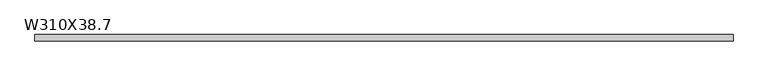
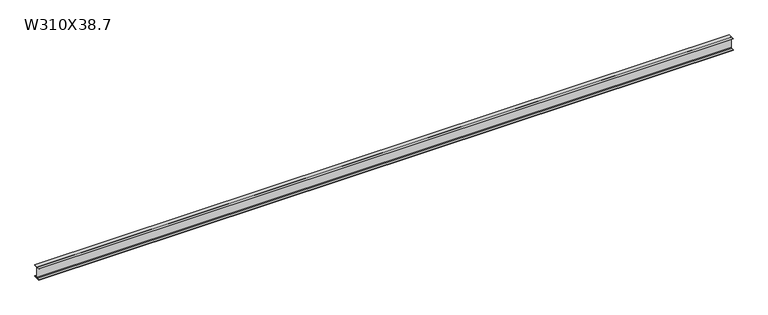
"""IFC4 building model written with IfcOpenShell, lengths in millimetres: beam geometry, W310X38.7."""

from ifc_helpers import new_model, si_unit, point, frame, frame_2d, origin, place, context, project, spatial, polyline, circle_curve, trimmed, segment, composite_curve, outline, extrude, source, transform, mapped, element, save


def w310x38_7_ef4068dc(model_context):
    return source(origin(), model_context, "Body", "SweptSolid", [
        extrude(outline(composite_curve([segment(polyline([(82.5, -145.3), (82.5, -155.0), (-82.5, -155.0), (-82.5, -145.3), (-20.2, -145.3)]), True, "CONTINUOUS"), segment(trimmed(circle_curve(frame_2d((-20.2, -128.0)), 17.3), [point((-20.2, -145.3))], [point((-2.9, -128.0))], True, "CARTESIAN"), True, "CONTINUOUS"), segment(polyline([(-2.9, -128.0), (-2.9, 128.0)]), True, "CONTINUOUS"), segment(trimmed(circle_curve(frame_2d((-20.2, 128.0)), 17.3), [point((-2.9, 128.0))], [point((-20.2, 145.3))], True, "CARTESIAN"), True, "CONTINUOUS"), segment(polyline([(-20.2, 145.3), (-82.5, 145.3), (-82.5, 155.0), (82.5, 155.0), (82.5, 145.3), (20.2, 145.3)]), True, "CONTINUOUS"), segment(trimmed(circle_curve(frame_2d((20.2, 128.0)), 17.3), [point((20.2, 145.3))], [point((2.9, 128.0))], True, "CARTESIAN"), True, "CONTINUOUS"), segment(polyline([(2.9, 128.0), (2.9, -128.0)]), True, "CONTINUOUS"), segment(trimmed(circle_curve(frame_2d((20.2, -128.0)), 17.3), [point((2.9, -128.0))], [point((20.2, -145.3))], True, "CARTESIAN"), True, "CONTINUOUS"), segment(polyline([(20.2, -145.3), (82.5, -145.3)]), True, "CONTINUOUS")], self_intersect=False)), frame((-8900.0, 0.0, 0.0), z_axis=(1.0, 0.0, 0.0), x_axis=(0.0, 1.0, 0.0)), (0.0, 0.0, 1.0), 17800.0),
    ])


if __name__ == "__main__":
    model = new_model("IFC4")
    model_context = context("Model", 3, world=origin())
    ifc_project = project(units=[si_unit("LENGTHUNIT", "METRE", prefix="MILLI")], contexts=[model_context])
    site = spatial("IfcSite", under=ifc_project)
    building = spatial("IfcBuilding", under=site)
    placement = place(None, origin())
    w310x38_7_shape = w310x38_7_ef4068dc(model_context)
    element("IfcBeam", 1, ObjectType="W310X38.7", at=placement, inside=building, context=model_context, shape_type="MappedRepresentation", body=[
        mapped(w310x38_7_shape, transform((0.0, 0.0, 0.0), x_axis=(1.0, 0.0, 0.0), y_axis=(0.0, 1.0, 0.0), z_axis=(0.0, 0.0, 1.0))),
    ])
    save(model, "model.ifc")
